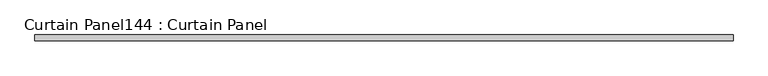
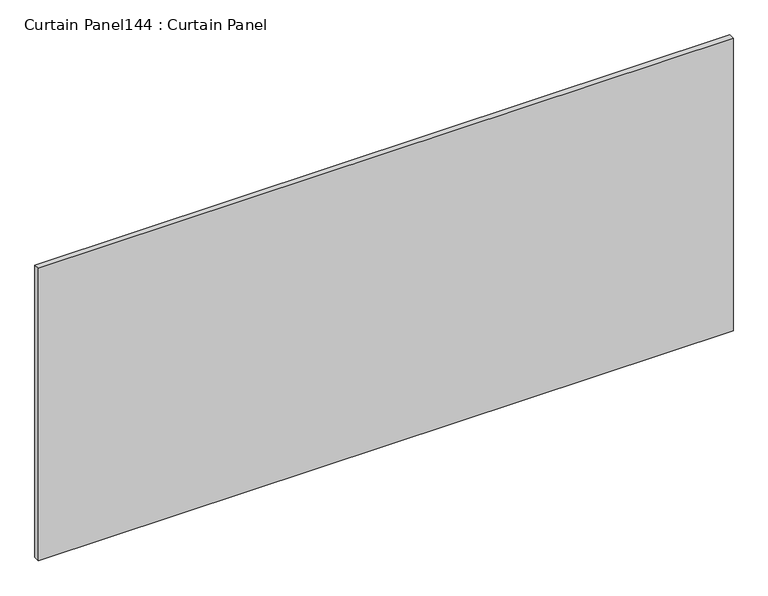
"""IFC4 building model written with IfcOpenShell, lengths in millimetres: plate geometry, Curtain Panel144 : Curtain Panel."""

from ifc_helpers import new_model, si_unit, frame, origin, place, context, project, spatial, polyline, outline, extrude, source, transform, mapped, element, save


def curtain_panel144_curtain_panel_be7a628e(model_context):
    return source(origin(), model_context, "Body", "SweptSolid", [
        extrude(outline(polyline([(380525.4312536, 2305.3839321), (377477.4312536, 2305.3839321), (377477.4312536, 2330.7839321), (380525.4312536, 2330.7839321), (380525.4312536, 2305.3839321)])), frame((0.0, 0.0, 7019.7548754), z_axis=(0.0, 0.0, 1.0), x_axis=(1.0, 0.0, 0.0)), (0.0, 0.0, 1.0), 1356.0798477),
    ])


if __name__ == "__main__":
    model = new_model("IFC4")
    model_context = context("Model", 3, world=origin())
    ifc_project = project(units=[si_unit("LENGTHUNIT", "METRE", prefix="MILLI")], contexts=[model_context])
    site = spatial("IfcSite", under=ifc_project)
    building = spatial("IfcBuilding", under=site)
    placement = place(None, origin())
    curtain_panel144_curtain_panel_shape = curtain_panel144_curtain_panel_be7a628e(model_context)
    element("IfcPlate", 1, ObjectType="Curtain Panel144 : Curtain Panel", at=placement, inside=building, context=model_context, shape_type="MappedRepresentation", body=[
        mapped(curtain_panel144_curtain_panel_shape, transform((0.0, 0.0, 0.0), x_axis=(1.0, 0.0, 0.0), y_axis=(0.0, 1.0, 0.0), z_axis=(0.0, 0.0, 1.0))),
    ])
    save(model, "model.ifc")
